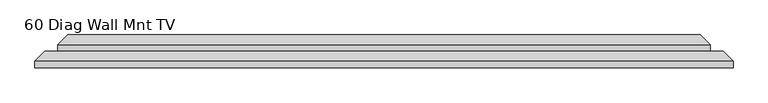
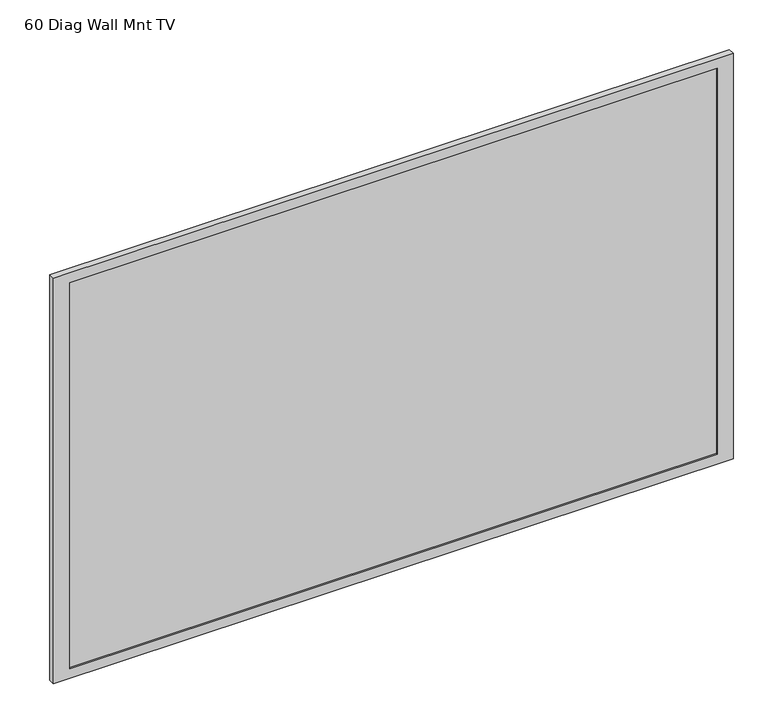
"""IFC4 building model written with IfcOpenShell, lengths in millimetres: proxy geometry, 60 Diag Wall Mnt TV."""

from ifc_helpers import new_model, si_unit, origin, place, context, project, spatial, faceted_brep, source, transform, mapped, element, save


def proxy_60_diag_wall_mnt_tv_68c7403b(model_context):
    return source(origin(), model_context, "Body", "Brep", [
        faceted_brep([(0.0, -63.5, 852.043), (1350.8228, -63.5, 852.043), (1350.8228, -50.8, 852.043), (0.0, -50.8, 852.043), (1350.8228, -63.5, 0.0), (0.0, -63.5, 0.0), (0.0, -50.8, 0.0), (19.05, -31.75, 0.0), (44.45, -31.75, 0.0), (44.45, -19.05, 0.0), (63.5, 0.0, 0.0), (1287.3228, 0.0, 0.0), (1306.3728, -19.05, 0.0), (1306.3728, -31.75, 0.0), (1331.7728, -31.75, 0.0), (1350.8228, -50.8, 0.0), (19.05, -31.75, 832.993), (1331.7728, -31.75, 832.993), (1306.3728, -31.75, 807.593), (44.45, -31.75, 807.593), (1319.0728, -63.5, 831.7387991), (1319.0728, -63.5, 20.32), (32.654221, -63.5, 20.32), (32.654221, -63.5, 831.7387991), (44.45, -19.05, 807.593), (1306.3728, -19.05, 807.593), (1287.3228, 0.0, 788.543), (63.5, 0.0, 788.543), (1319.0728, -60.325, 20.32), (1319.0728, -60.325, 831.7387991), (32.654221, -60.325, 831.7387991), (32.654221, -60.325, 20.32)], [[[0, 1, 2, 3]], [[4, 5, 6, 7, 8, 9, 10, 11, 12, 13, 14, 15]], [[7, 16, 17, 14, 13, 18, 19, 8]], [[5, 0, 3, 6]], [[1, 0, 5, 4], [20, 21, 22, 23]], [[1, 4, 15, 2]], [[7, 6, 3, 16]], [[15, 14, 17, 2]], [[3, 2, 17, 16]], [[24, 25, 26, 27]], [[10, 9, 24, 27]], [[12, 11, 26, 25]], [[19, 18, 25, 24]], [[10, 27, 26, 11]], [[8, 19, 24, 9]], [[18, 13, 12, 25]], [[28, 29, 30, 31]], [[29, 28, 21, 20]], [[30, 29, 20, 23]], [[31, 30, 23, 22]], [[28, 31, 22, 21]]]),
    ])


if __name__ == "__main__":
    model = new_model("IFC4")
    model_context = context("Model", 3, world=origin())
    ifc_project = project(units=[si_unit("LENGTHUNIT", "METRE", prefix="MILLI")], contexts=[model_context])
    site = spatial("IfcSite", under=ifc_project)
    building = spatial("IfcBuilding", under=site)
    placement = place(None, origin())
    proxy_60_diag_wall_mnt_tv_shape = proxy_60_diag_wall_mnt_tv_68c7403b(model_context)
    element("IfcBuildingElementProxy", 1, Name="60 Diag Wall Mnt TV", ObjectType="60 Diag Wall Mnt TV", at=placement, inside=building, context=model_context, shape_type="MappedRepresentation", body=[
        mapped(proxy_60_diag_wall_mnt_tv_shape, transform((0.0, 0.0, 0.0), x_axis=(1.0, 0.0, 0.0), y_axis=(0.0, 1.0, 0.0), z_axis=(0.0, 0.0, 1.0))),
    ])
    save(model, "model.ifc")
